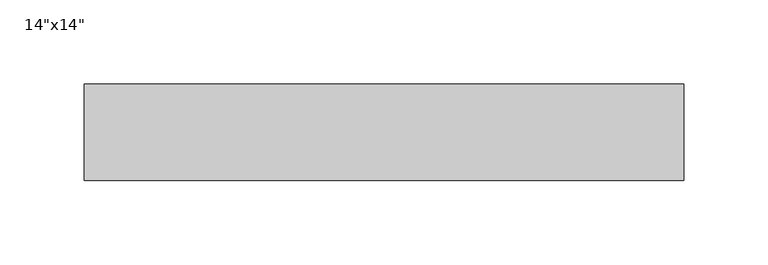
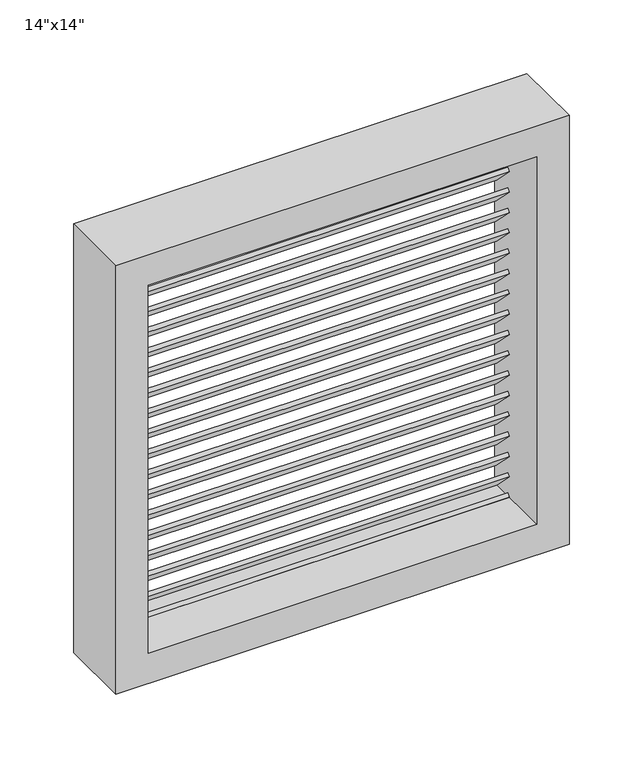
"""IFC4 building model written with IfcOpenShell, lengths in millimetres: proxy geometry."""

import ifcopenshell
import ifcopenshell.guid

model = None  # the IFC model being written
_history = None  # IfcOwnerHistory: only IFC2X3 demands one
_inside = {}  # id of a spatial element -> (the spatial element, [elements in it])
_under = {}  # id of a project, library or spatial element -> (it, [spatial elements below it])
_declared = {}  # id of a project -> (the project, [libraries it declares])
_typed = {}  # id of a type object -> (the type object, [elements of that type])
_made_of = {}  # id of a material, layer set ... -> (it, [elements and type objects made of it])


def new_model(schema):
    """Start an empty IFC model of exactly this schema.

    Asked for "IFC4X3", IfcOpenShell would pick the latest addendum, in which some entities
    have other attributes; the version numbers below select the first issue.
    IFC2X3 requires an IfcOwnerHistory on every rooted entity: one is made here for all.
    """
    global model, _history
    if schema == "IFC4X3":
        model = ifcopenshell.file(schema_version=(4, 3, 0, 0))
    else:
        model = ifcopenshell.file(schema=schema)
    _inside.clear()
    _under.clear()
    _declared.clear()
    _typed.clear()
    _made_of.clear()
    _history = None
    if model.schema == "IFC2X3":
        org = make("IfcOrganization", Name="unknown")
        user = make(
            "IfcPersonAndOrganization",
            ThePerson=make("IfcPerson", FamilyName="unknown"),
            TheOrganization=org,
        )
        app = make(
            "IfcApplication",
            ApplicationDeveloper=org,
            Version="unknown",
            ApplicationFullName="unknown",
            ApplicationIdentifier="unknown",
        )
        _history = make(
            "IfcOwnerHistory",
            OwningUser=user,
            OwningApplication=app,
            ChangeAction="ADDED",
            CreationDate=0,
        )
    return model


def make(cls, **values):
    """One entity of the class cls with the attributes given. An attribute that is None is left unset."""
    return model.create_entity(
        cls, **{name: value for name, value in values.items() if value is not None}
    )


def rooted(cls, **values):
    """An entity with a GlobalId (a new one), such as an element, a storey or a relation."""
    return make(cls, GlobalId=ifcopenshell.guid.new(), OwnerHistory=_history, **values)


def si_unit(unit_type, name, prefix=None):
    """IfcSIUnit, for example si_unit("LENGTHUNIT", "METRE", prefix="MILLI")."""
    return make("IfcSIUnit", UnitType=unit_type, Prefix=prefix, Name=name)


def assignment(units):
    """IfcUnitAssignment: the units of a project."""
    return None if units is None else make("IfcUnitAssignment", Units=units)


def point(xyz):
    """IfcCartesianPoint."""
    return None if xyz is None else make("IfcCartesianPoint", Coordinates=xyz)


def direction(xyz):
    """IfcDirection."""
    return None if xyz is None else make("IfcDirection", DirectionRatios=xyz)


def frame(location, z_axis=None, x_axis=None):
    """IfcAxis2Placement3D, a coordinate frame: its origin and axes. An axis left out is left unset."""
    return make(
        "IfcAxis2Placement3D",
        Location=point(location),
        Axis=direction(z_axis),
        RefDirection=direction(x_axis),
    )


def origin():
    """The frame at (0, 0, 0) with its axes left unset."""
    return frame((0.0, 0.0, 0.0))


def place(relative_to, where):
    """IfcLocalPlacement: puts the frame where relative to a parent placement (None: the world)."""
    return make(
        "IfcLocalPlacement", PlacementRelTo=relative_to, RelativePlacement=where
    )


def context(
    kind, dimensions, precision=None, world=None, true_north=None, identifier=None
):
    """IfcGeometricRepresentationContext, for example the 3D "Model" context."""
    return make(
        "IfcGeometricRepresentationContext",
        ContextIdentifier=identifier,
        ContextType=kind,
        CoordinateSpaceDimension=dimensions,
        Precision=precision,
        WorldCoordinateSystem=world,
        TrueNorth=true_north,
    )


def project(units=None, contexts=None):
    """IfcProject with its units and contexts."""
    return rooted(
        "IfcProject",
        Name="project",
        RepresentationContexts=contexts,
        UnitsInContext=assignment(units),
    )


def spatial(cls, under=None, at=None, **own):
    """A site, building, storey or space (cls), placed at a placement, below another one or the project."""
    s = rooted(cls, ObjectPlacement=at, **own)
    if under is not None:
        _under.setdefault(under.id(), (under, []))[1].append(s)
    return s


def polyline(points):
    """IfcPolyline through the points."""
    return make("IfcPolyline", Points=[point(p) for p in points])


def outline(outer, holes=None, kind="AREA"):
    """IfcArbitraryClosedProfileDef: a profile drawn as a closed curve; with holes, ...WithVoids."""
    if holes is None:
        return make("IfcArbitraryClosedProfileDef", ProfileType=kind, OuterCurve=outer)
    return make(
        "IfcArbitraryProfileDefWithVoids",
        ProfileType=kind,
        OuterCurve=outer,
        InnerCurves=holes,
    )


def extrude(swept, where, along, depth):
    """IfcExtrudedAreaSolid: the profile swept, set in the frame where, extruded along a direction by depth."""
    return make(
        "IfcExtrudedAreaSolid",
        SweptArea=swept,
        Position=where,
        ExtrudedDirection=direction(along),
        Depth=depth,
    )


def shape(context_of_items, identifier, shape_type, items):
    """IfcShapeRepresentation: the items that make up one representation, for example the "Body"."""
    return make(
        "IfcShapeRepresentation",
        ContextOfItems=context_of_items,
        RepresentationIdentifier=identifier,
        RepresentationType=shape_type,
        Items=items,
    )


def source(mapping_origin, context_of_items, identifier, shape_type, items):
    """IfcRepresentationMap: a shape defined once, which mapped items show again and again."""
    return make(
        "IfcRepresentationMap",
        MappingOrigin=mapping_origin,
        MappedRepresentation=shape(context_of_items, identifier, shape_type, items),
    )


def transform(
    local_origin,
    x_axis=None,
    y_axis=None,
    z_axis=None,
    scale=None,
    scale2=None,
    scale3=None,
    uniform=True,
):
    """IfcCartesianTransformationOperator3D, or its non-uniform kind. x_axis, y_axis, z_axis: its Axis1, 2, 3."""
    if uniform:
        return make(
            "IfcCartesianTransformationOperator3D",
            Axis1=direction(x_axis),
            Axis2=direction(y_axis),
            LocalOrigin=point(local_origin),
            Scale=scale,
            Axis3=direction(z_axis),
        )
    return make(
        "IfcCartesianTransformationOperator3DnonUniform",
        Axis1=direction(x_axis),
        Axis2=direction(y_axis),
        LocalOrigin=point(local_origin),
        Scale=scale,
        Axis3=direction(z_axis),
        Scale2=scale2,
        Scale3=scale3,
    )


def mapped(mapping_source, mapping_target):
    """IfcMappedItem: shows the shape of a source again, moved by a transform."""
    return make(
        "IfcMappedItem", MappingSource=mapping_source, MappingTarget=mapping_target
    )


def made_of(thing, what):
    """Note that an element or type object is made of a material, layer set ...; save() writes the relation."""
    if what is not None:
        _made_of.setdefault(what.id(), (what, []))[1].append(thing)
    return thing


def element(
    cls,
    number,
    at=None,
    inside=None,
    cuts=None,
    type_object=None,
    material=None,
    context=None,
    identifier="Body",
    shape_type=None,
    held_by="IfcProductDefinitionShape",
    body=None,
    shapes=None,
    **own,
):
    """One element of the class cls, such as IfcWall. Its Tag is "e" and its number.

    at: its placement. inside: the storey or other place that contains it. cuts: it is an
    opening in that element (IfcRelVoidsElement). A single representation is given by context,
    identifier, shape_type and body (its items); several are given by shapes. held_by: the class
    of the entity that holds the representations. save() writes the other relations.
    """
    e = rooted(cls, Tag="e%d" % number, ObjectPlacement=at, **own)
    if body is not None:
        shapes = [shape(context, identifier, shape_type, body)]
    if shapes is not None:
        e.Representation = make(held_by, Representations=shapes)
    if inside is not None:
        _inside.setdefault(inside.id(), (inside, []))[1].append(e)
    if cuts is not None:
        rooted(
            "IfcRelVoidsElement", RelatingBuildingElement=cuts, RelatedOpeningElement=e
        )
    if type_object is not None:
        _typed.setdefault(type_object.id(), (type_object, []))[1].append(e)
    return made_of(e, material)


def aggregate(whole, parts):
    """IfcRelAggregates: a whole, such as a stair, and the parts it consists of."""
    return rooted("IfcRelAggregates", RelatingObject=whole, RelatedObjects=parts)


def save(model, path):
    """Write the relations noted so far, then the file.

    IfcRelAggregates (storeys below a building ...), IfcRelContainedInSpatialStructure (elements
    in a storey), IfcRelDefinesByType, IfcRelAssociatesMaterial and IfcRelDeclares: one each for
    every whole, place, type object, material and project.
    """
    for whole, parts in _under.values():
        aggregate(whole, parts)
    for where, things in _inside.values():
        rooted(
            "IfcRelContainedInSpatialStructure",
            RelatedElements=things,
            RelatingStructure=where,
        )
    for kind, things in _typed.values():
        rooted("IfcRelDefinesByType", RelatedObjects=things, RelatingType=kind)
    for what, things in _made_of.values():
        rooted("IfcRelAssociatesMaterial", RelatedObjects=things, RelatingMaterial=what)
    for by, libraries in _declared.values():
        rooted("IfcRelDeclares", RelatingContext=by, RelatedDefinitions=libraries)
    model.write(path)


def proxy_5c91ef12(model_context):
    return source(origin(), model_context, "Body", "SweptSolid", [
        extrude(outline(polyline([(0.0, 25.4), (304.8, 25.4), (304.8, 0.0), (0.0, 0.0), (0.0, 25.4)])), frame((-152.4, 49.6444237, 1129.0462141), z_axis=(0.0, 0.7071067811865469, 0.7071067811865482), x_axis=(1.0, 0.0, 0.0)), (0.0, 0.0, 1.0), 3.175),
        extrude(outline(polyline([(0.0, 25.4000001), (304.8, 25.4000001), (304.8, 0.0), (0.0, 0.0), (0.0, 25.4000001)])), frame((-152.4, 49.6444237, 1112.17698), z_axis=(0.0, 0.7071067811865469, 0.7071067811865482), x_axis=(1.0, 0.0, 0.0)), (0.0, 0.0, 1.0), 3.175),
        extrude(outline(polyline([(0.0, 25.4000001), (304.8, 25.4000001), (304.8, 0.0), (0.0, 0.0), (0.0, 25.4000001)])), frame((-152.4, 49.6444237, 1095.3077459), z_axis=(0.0, 0.7071067811865469, 0.7071067811865482), x_axis=(1.0, 0.0, 0.0)), (0.0, 0.0, 1.0), 3.175),
        extrude(outline(polyline([(0.0, 25.4), (304.8, 25.4), (304.8, 0.0), (0.0, 0.0), (0.0, 25.4)])), frame((-152.4, 49.6444237, 1078.4385117), z_axis=(0.0, 0.7071067811865469, 0.7071067811865482), x_axis=(1.0, 0.0, 0.0)), (0.0, 0.0, 1.0), 3.175),
        extrude(outline(polyline([(0.0, 25.4), (304.8, 25.4), (304.8, 0.0), (0.0, 0.0), (0.0, 25.4)])), frame((-152.4, 49.6444237, 1061.5692776), z_axis=(0.0, 0.7071067811865469, 0.7071067811865482), x_axis=(1.0, 0.0, 0.0)), (0.0, 0.0, 1.0), 3.175),
        extrude(outline(polyline([(0.0, 25.4), (304.8, 25.4), (304.8, 0.0), (0.0, 0.0), (0.0, 25.4)])), frame((-152.4, 49.6444237, 1044.7000435), z_axis=(0.0, 0.7071067811865469, 0.7071067811865482), x_axis=(1.0, 0.0, 0.0)), (0.0, 0.0, 1.0), 3.175),
        extrude(outline(polyline([(0.0, 25.4), (304.8, 25.4), (304.8, 0.0), (0.0, 0.0), (0.0, 25.4)])), frame((-152.4, 49.6444237, 1027.8308094), z_axis=(0.0, 0.7071067811865469, 0.7071067811865482), x_axis=(1.0, 0.0, 0.0)), (0.0, 0.0, 1.0), 3.175),
        extrude(outline(polyline([(0.0, 25.4000001), (304.8, 25.4000001), (304.8, 0.0), (0.0, 0.0), (0.0, 25.4000001)])), frame((-152.4, 49.6444237, 1010.9615753), z_axis=(0.0, 0.7071067811865469, 0.7071067811865482), x_axis=(1.0, 0.0, 0.0)), (0.0, 0.0, 1.0), 3.175),
        extrude(outline(polyline([(0.0, 25.4000001), (304.8, 25.4000001), (304.8, 0.0), (0.0, 0.0), (0.0, 25.4000001)])), frame((-152.4, 49.6444237, 994.0923412), z_axis=(0.0, 0.7071067811865469, 0.7071067811865482), x_axis=(1.0, 0.0, 0.0)), (0.0, 0.0, 1.0), 3.175),
        extrude(outline(polyline([(0.0, 25.4), (304.8, 25.4), (304.8, 0.0), (0.0, 0.0), (0.0, 25.4)])), frame((-152.4, 49.6444237, 977.223107), z_axis=(0.0, 0.7071067811865469, 0.7071067811865482), x_axis=(1.0, 0.0, 0.0)), (0.0, 0.0, 1.0), 3.175),
        extrude(outline(polyline([(0.0, 25.4), (304.8, 25.4), (304.8, 0.0), (0.0, 0.0), (0.0, 25.4)])), frame((-152.4, 49.6444237, 960.3538729), z_axis=(0.0, 0.7071067811865469, 0.7071067811865482), x_axis=(1.0, 0.0, 0.0)), (0.0, 0.0, 1.0), 3.175),
        extrude(outline(polyline([(0.0, 25.4), (304.8, 25.4), (304.8, 0.0), (0.0, 0.0), (0.0, 25.4)])), frame((-152.4, 49.6444237, 943.4846388), z_axis=(0.0, 0.7071067811865469, 0.7071067811865482), x_axis=(1.0, 0.0, 0.0)), (0.0, 0.0, 1.0), 3.175),
        extrude(outline(polyline([(0.0, 25.4), (304.8, 25.4), (304.8, 0.0), (0.0, 0.0), (0.0, 25.4)])), frame((-152.4, 49.6444237, 926.6154047), z_axis=(0.0, 0.7071067811865469, 0.7071067811865482), x_axis=(1.0, 0.0, 0.0)), (0.0, 0.0, 1.0), 3.175),
        extrude(outline(polyline([(0.0, 25.4000001), (304.8, 25.4000001), (304.8, 0.0), (0.0, 0.0), (0.0, 25.4000001)])), frame((-152.4, 49.6444237, 909.7461706), z_axis=(0.0, 0.7071067811865469, 0.7071067811865482), x_axis=(1.0, 0.0, 0.0)), (0.0, 0.0, 1.0), 3.175),
        extrude(outline(polyline([(0.0, 25.4000001), (304.8, 25.4000001), (304.8, 0.0), (0.0, 0.0), (0.0, 25.4000001)])), frame((-152.4, 49.6444237, 892.8769365), z_axis=(0.0, 0.7071067811865469, 0.7071067811865482), x_axis=(1.0, 0.0, 0.0)), (0.0, 0.0, 1.0), 3.175),
        extrude(outline(polyline([(0.0, 25.4), (304.8, 25.4), (304.8, 0.0), (0.0, 0.0), (0.0, 25.4)])), frame((-152.4, 49.6444237, 876.0077023), z_axis=(0.0, 0.7071067811865469, 0.7071067811865482), x_axis=(1.0, 0.0, 0.0)), (0.0, 0.0, 1.0), 3.175),
        extrude(outline(polyline([(0.0, 25.4), (304.8, 25.4), (304.8, 0.0), (0.0, 0.0), (0.0, 25.4)])), frame((-152.4, 49.6444237, 859.1384682), z_axis=(0.0, 0.7071067811865469, 0.7071067811865482), x_axis=(1.0, 0.0, 0.0)), (0.0, 0.0, 1.0), 3.175),
        extrude(outline(polyline([(0.0, 25.4), (304.8, 25.4), (304.8, 0.0), (0.0, 0.0), (0.0, 25.4)])), frame((-152.4, 49.6444237, 842.2692341), z_axis=(0.0, 0.7071067811865469, 0.7071067811865482), x_axis=(1.0, 0.0, 0.0)), (0.0, 0.0, 1.0), 3.175),
        extrude(outline(polyline([(0.0, 25.4), (304.8, 25.4), (304.8, 0.0), (0.0, 0.0), (0.0, 25.4)])), frame((-152.4, 49.6444237, 1145.9154482), z_axis=(0.0, 0.7071067811865469, 0.7071067811865482), x_axis=(1.0, 0.0, 0.0)), (0.0, 0.0, 1.0), 3.175),
        extrude(outline(polyline([(0.0, 25.4), (304.8, 25.4), (304.8, 0.0), (0.0, 0.0), (0.0, 25.4)])), frame((-152.4, 49.6444237, 825.4), z_axis=(0.0, 0.7071067811865469, 0.7071067811865482), x_axis=(1.0, 0.0, 0.0)), (0.0, 0.0, 1.0), 3.175),
        extrude(outline(polyline([(1155.6, -177.8), (800.0, -177.8), (800.0, 177.8), (1155.6, 177.8), (1155.6, -177.8)]), holes=[polyline([(1130.2, -152.4), (1130.2, 152.4), (825.4, 152.4), (825.4, -152.4), (1130.2, -152.4)])]), frame((0.0, 12.7, 0.0), z_axis=(0.0, 1.0, 0.0), x_axis=(0.0, 0.0, 1.0)), (0.0, 0.0, 1.0), 57.15),
    ])


if __name__ == "__main__":
    model = new_model("IFC4")
    model_context = context("Model", 3, world=origin())
    ifc_project = project(units=[si_unit("LENGTHUNIT", "METRE", prefix="MILLI")], contexts=[model_context])
    site = spatial("IfcSite", under=ifc_project)
    building = spatial("IfcBuilding", under=site)
    placement = place(None, origin())
    proxy_shape = proxy_5c91ef12(model_context)
    element("IfcBuildingElementProxy", 1, Name="14\"x14\"", ObjectType="14\"x14\"", at=placement, inside=building, context=model_context, shape_type="MappedRepresentation", body=[
        mapped(proxy_shape, transform((0.0, 0.0, 0.0), x_axis=(1.0, 0.0, 0.0), y_axis=(0.0, 1.0, 0.0), z_axis=(0.0, 0.0, 1.0))),
    ])
    save(model, "model.ifc")
